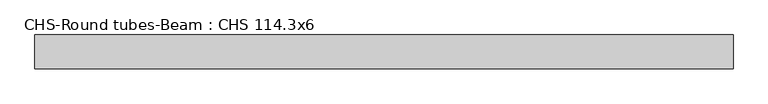
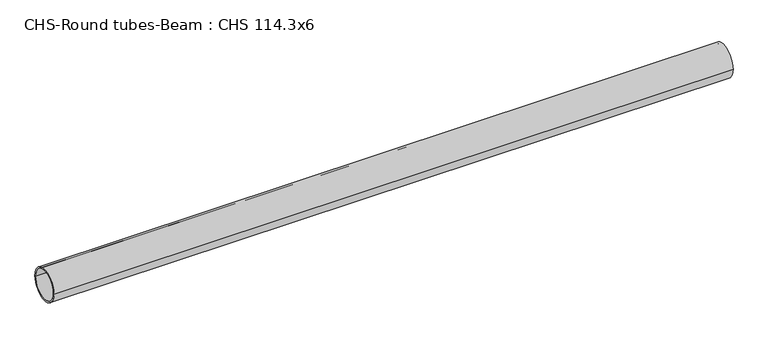
"""IFC4 building model written with IfcOpenShell, lengths in millimetres: beam geometry, CHS-Round tubes-Beam : CHS 114.3x6."""

from ifc_helpers import new_model, si_unit, point, frame, origin, origin_2d, place, context, project, spatial, circle_curve, trimmed, segment, composite_curve, outline, extrude, source, transform, mapped, element, save


def chs_round_tubes_beam_chs_114_3x6_124c0af0(model_context):
    return source(origin(), model_context, "Body", "SweptSolid", [
        extrude(outline(composite_curve([segment(trimmed(circle_curve(origin_2d(), 57.15), [point((57.15, 0.0))], [point((-57.15, 0.0))], False, "CARTESIAN"), True, "CONTINUOUS"), segment(trimmed(circle_curve(origin_2d(), 57.15), [point((-57.15, 0.0))], [point((57.15, 0.0))], False, "CARTESIAN"), True, "CONTINUOUS")], self_intersect=False), holes=[composite_curve([segment(trimmed(circle_curve(origin_2d(), 51.15), [point((51.15, 0.0))], [point((-51.15, 0.0))], True, "CARTESIAN"), True, "CONTINUOUS"), segment(trimmed(circle_curve(origin_2d(), 51.15), [point((-51.15, 0.0))], [point((51.15, 0.0))], True, "CARTESIAN"), True, "CONTINUOUS")], self_intersect=False)]), frame((-1150.4906707, 0.0, 0.0), z_axis=(1.0, 0.0, 0.0), x_axis=(0.0, 1.0, 0.0)), (0.0, 0.0, 1.0), 2361.132754),
    ])


if __name__ == "__main__":
    model = new_model("IFC4")
    model_context = context("Model", 3, world=origin())
    ifc_project = project(units=[si_unit("LENGTHUNIT", "METRE", prefix="MILLI")], contexts=[model_context])
    site = spatial("IfcSite", under=ifc_project)
    building = spatial("IfcBuilding", under=site)
    placement = place(None, origin())
    chs_round_tubes_beam_chs_114_3x6_shape = chs_round_tubes_beam_chs_114_3x6_124c0af0(model_context)
    element("IfcBeam", 1, ObjectType="CHS-Round tubes-Beam : CHS 114.3x6", at=placement, inside=building, context=model_context, shape_type="MappedRepresentation", body=[
        mapped(chs_round_tubes_beam_chs_114_3x6_shape, transform((0.0, 0.0, 0.0), x_axis=(1.0, 0.0, 0.0), y_axis=(0.0, 1.0, 0.0), z_axis=(0.0, 0.0, 1.0))),
    ])
    save(model, "model.ifc")
